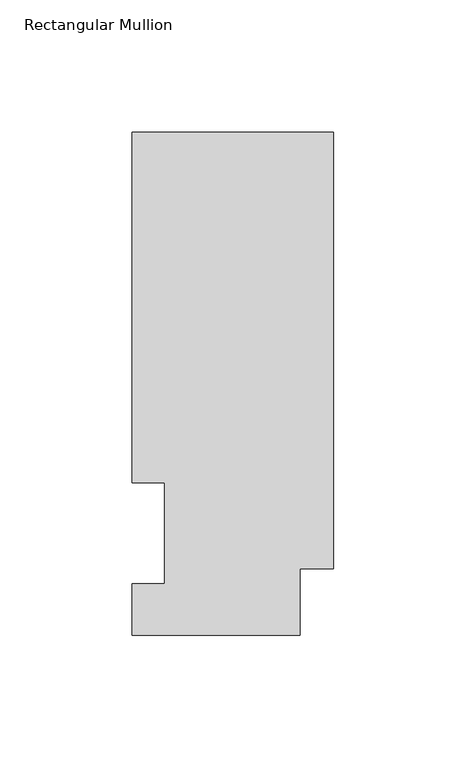
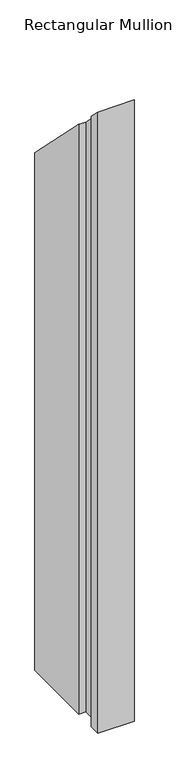
"""IFC4 building model written with IfcOpenShell, lengths in millimetres: member geometry, Rectangular Mullion."""

from ifc_helpers import new_model, si_unit, origin, place, context, project, spatial, faceted_brep, source, transform, mapped, element, save


def rectangular_mullion_bdb36311(model_context):
    return source(origin(), model_context, "Body", "Brep", [
        faceted_brep([(-76.2, 190.0816937, -1142.5174), (0.0, 190.0816937, -1142.5174), (0.0, 25.0832937, -1142.5174), (-12.7, 25.0832937, -1142.5174), (-12.7, 0.0134937, -1142.5174), (-76.2, 0.0134937, -1142.5174), (-76.2, 19.5460937, -1142.5174), (-63.8581605, 19.5460937, -1142.5174), (-63.8581605, 57.6460937, -1142.5174), (-76.2, 57.6460937, -1142.5174), (-76.2, 57.6460937, -57.6460937), (-76.2, 190.0816937, -190.0816937), (-63.8581605, 57.6460937, -57.6460937), (-63.8581605, 19.5460937, -19.5460937), (-76.2, 19.5460937, -19.5460937), (-76.2, 0.0134937, -0.0134937), (-12.7, 0.0134937, -0.0134937), (-12.7, 25.0832937, -25.0832937), (0.0, 25.0832937, -25.0832937), (0.0, 190.0816937, -190.0816937)], [[[0, 1, 2, 3, 4, 5, 6, 7, 8, 9]], [[10, 11, 0, 9]], [[12, 10, 9, 8]], [[13, 12, 8, 7]], [[14, 13, 7, 6]], [[15, 14, 6, 5]], [[16, 15, 5, 4]], [[17, 16, 4, 3]], [[18, 17, 3, 2]], [[19, 18, 2, 1]], [[11, 19, 1, 0]], [[11, 10, 12, 13, 14, 15, 16, 17, 18, 19]]]),
    ])


if __name__ == "__main__":
    model = new_model("IFC4")
    model_context = context("Model", 3, world=origin())
    ifc_project = project(units=[si_unit("LENGTHUNIT", "METRE", prefix="MILLI")], contexts=[model_context])
    site = spatial("IfcSite", under=ifc_project)
    building = spatial("IfcBuilding", under=site)
    placement = place(None, origin())
    rectangular_mullion_shape = rectangular_mullion_bdb36311(model_context)
    element("IfcMember", 1, ObjectType="Rectangular Mullion", at=placement, inside=building, context=model_context, shape_type="MappedRepresentation", body=[
        mapped(rectangular_mullion_shape, transform((0.0, 0.0, 0.0), x_axis=(1.0, 0.0, 0.0), y_axis=(0.0, 1.0, 0.0), z_axis=(0.0, 0.0, 1.0))),
    ])
    save(model, "model.ifc")
